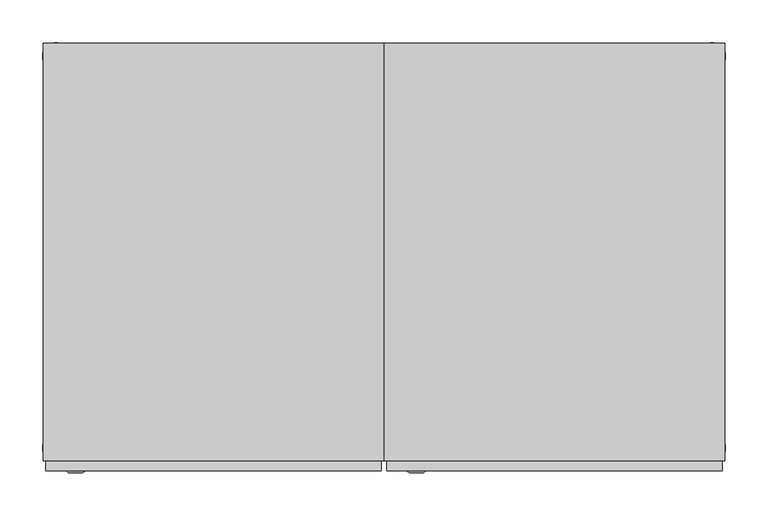
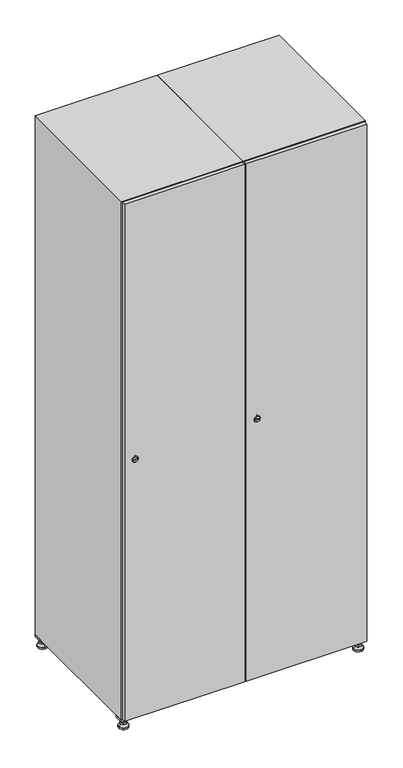
"""IFC4 building model written with IfcOpenShell, lengths in millimetres: furniture geometry."""

from ifc_helpers import new_model, si_unit, point, frame, frame_2d, origin, origin_with_axes, place, context, project, spatial, polyline, circle_curve, trimmed, segment, composite_curve, outline, extrude, faceted_brep, source, transform, mapped, element, save
from ifc_brep_helpers import plane_surface, revolved_surface, advanced_brep


def furniture_cdbf3739(model_context):
    return source(origin(), model_context, "Body", "SolidModel", [
        extrude(outline(polyline([(600.0, 245.0), (600.0, 215.0), (570.0, 215.0), (570.0, 245.0), (600.0, 245.0)]), holes=[polyline([(598.0, 243.0), (572.0, 243.0), (572.0, 217.0), (598.0, 217.0), (598.0, 243.0)])]), frame((0.0, 0.0, 28.5), z_axis=(0.0, 0.0, 1.0), x_axis=(1.0, 0.0, 0.0)), (0.0, 0.0, 1.0), 6.5),
        extrude(outline(polyline([(570.0, -245.0), (570.0, -215.0), (600.0, -215.0), (600.0, -245.0), (570.0, -245.0)]), holes=[polyline([(572.0, -243.0), (598.0, -243.0), (598.0, -217.0), (572.0, -217.0), (572.0, -243.0)])]), frame((0.0, 0.0, 28.5), z_axis=(0.0, 0.0, 1.0), x_axis=(1.0, 0.0, 0.0)), (0.0, 0.0, 1.0), 6.5),
        extrude(outline(polyline([(-170.0, 245.0), (-170.0, 215.0), (-200.0, 215.0), (-200.0, 245.0), (-170.0, 245.0)]), holes=[polyline([(-172.0, 243.0), (-198.0, 243.0), (-198.0, 217.0), (-172.0, 217.0), (-172.0, 243.0)])]), frame((0.0, 0.0, 28.5), z_axis=(0.0, 0.0, 1.0), x_axis=(1.0, 0.0, 0.0)), (0.0, 0.0, 1.0), 6.5),
        extrude(outline(polyline([(-170.0, -215.0), (-170.0, -245.0), (-200.0, -245.0), (-200.0, -215.0), (-170.0, -215.0)]), holes=[polyline([(-198.0, -243.0), (-172.0, -243.0), (-172.0, -217.0), (-198.0, -217.0), (-198.0, -243.0)])]), frame((0.0, 0.0, 28.5), z_axis=(0.0, 0.0, 1.0), x_axis=(1.0, 0.0, 0.0)), (0.0, 0.0, 1.0), 6.5),
        extrude(outline(composite_curve([segment(trimmed(circle_curve(frame_2d((-185.0, 230.0)), 5.0), [point((-180.0, 230.0))], [point((-190.0, 230.0))], False, "CARTESIAN"), True, "CONTINUOUS"), segment(trimmed(circle_curve(frame_2d((-185.0, 230.0)), 5.0), [point((-190.0, 230.0))], [point((-180.0, 230.0))], False, "CARTESIAN"), True, "CONTINUOUS")], self_intersect=False)), frame((0.0, 0.0, 19.6), z_axis=(0.0, 0.0, 1.0), x_axis=(1.0, 0.0, 0.0)), (0.0, 0.0, 1.0), 15.4),
        extrude(outline(composite_curve([segment(trimmed(circle_curve(frame_2d((-185.0, -230.0)), 5.0), [point((-180.0, -230.0))], [point((-190.0, -230.0))], False, "CARTESIAN"), True, "CONTINUOUS"), segment(trimmed(circle_curve(frame_2d((-185.0, -230.0)), 5.0), [point((-190.0, -230.0))], [point((-180.0, -230.0))], False, "CARTESIAN"), True, "CONTINUOUS")], self_intersect=False)), frame((0.0, 0.0, 19.6), z_axis=(0.0, 0.0, 1.0), x_axis=(1.0, 0.0, 0.0)), (0.0, 0.0, 1.0), 15.4),
        extrude(outline(composite_curve([segment(trimmed(circle_curve(frame_2d((585.0, 230.0)), 5.0), [point((590.0, 230.0))], [point((580.0, 230.0))], False, "CARTESIAN"), True, "CONTINUOUS"), segment(trimmed(circle_curve(frame_2d((585.0, 230.0)), 5.0), [point((580.0, 230.0))], [point((590.0, 230.0))], False, "CARTESIAN"), True, "CONTINUOUS")], self_intersect=False)), frame((0.0, 0.0, 19.6), z_axis=(0.0, 0.0, 1.0), x_axis=(1.0, 0.0, 0.0)), (0.0, 0.0, 1.0), 15.4),
        extrude(outline(polyline([(573.4529946, 230.0), (579.2264973, 240.0), (590.7735027, 240.0), (596.5470054, 230.0), (590.7735027, 220.0), (579.2264973, 220.0), (573.4529946, 230.0)])), frame((0.0, 0.0, 13.6), z_axis=(0.0, 0.0, 1.0), x_axis=(1.0, 0.0, 0.0)), (0.0, 0.0, 1.0), 6.0),
        extrude(outline(composite_curve([segment(trimmed(circle_curve(frame_2d((585.0, -230.0)), 5.0), [point((590.0, -230.0))], [point((580.0, -230.0))], False, "CARTESIAN"), True, "CONTINUOUS"), segment(trimmed(circle_curve(frame_2d((585.0, -230.0)), 5.0), [point((580.0, -230.0))], [point((590.0, -230.0))], False, "CARTESIAN"), True, "CONTINUOUS")], self_intersect=False)), frame((0.0, 0.0, 19.6), z_axis=(0.0, 0.0, 1.0), x_axis=(1.0, 0.0, 0.0)), (0.0, 0.0, 1.0), 15.4),
        extrude(outline(polyline([(573.4529946, -230.0), (579.2264973, -220.0), (590.7735027, -220.0), (596.5470054, -230.0), (590.7735027, -240.0), (579.2264973, -240.0), (573.4529946, -230.0)])), frame((0.0, 0.0, 13.6), z_axis=(0.0, 0.0, 1.0), x_axis=(1.0, 0.0, 0.0)), (0.0, 0.0, 1.0), 6.0),
        extrude(outline(composite_curve([segment(trimmed(circle_curve(frame_2d((585.0, 230.0)), 5.0), [point((590.0, 230.0))], [point((580.0, 230.0))], False, "CARTESIAN"), True, "CONTINUOUS"), segment(trimmed(circle_curve(frame_2d((585.0, 230.0)), 5.0), [point((580.0, 230.0))], [point((590.0, 230.0))], False, "CARTESIAN"), True, "CONTINUOUS")], self_intersect=False)), frame((0.0, 0.0, 12.1), z_axis=(0.0, 0.0, 1.0), x_axis=(1.0, 0.0, 0.0)), (0.0, 0.0, 1.0), 1.5),
        extrude(outline(composite_curve([segment(trimmed(circle_curve(frame_2d((585.0, -230.0)), 5.0), [point((590.0, -230.0))], [point((580.0, -230.0))], False, "CARTESIAN"), True, "CONTINUOUS"), segment(trimmed(circle_curve(frame_2d((585.0, -230.0)), 5.0), [point((580.0, -230.0))], [point((590.0, -230.0))], False, "CARTESIAN"), True, "CONTINUOUS")], self_intersect=False)), frame((0.0, 0.0, 12.1), z_axis=(0.0, 0.0, 1.0), x_axis=(1.0, 0.0, 0.0)), (0.0, 0.0, 1.0), 1.5),
        extrude(outline(polyline([(-196.5470054, 230.0), (-190.7735027, 240.0), (-179.2264973, 240.0), (-173.4529946, 230.0), (-179.2264973, 220.0), (-190.7735027, 220.0), (-196.5470054, 230.0)])), frame((0.0, 0.0, 13.6), z_axis=(0.0, 0.0, 1.0), x_axis=(1.0, 0.0, 0.0)), (0.0, 0.0, 1.0), 6.0),
        extrude(outline(polyline([(-196.5470054, -230.0), (-190.7735027, -220.0), (-179.2264973, -220.0), (-173.4529946, -230.0), (-179.2264973, -240.0), (-190.7735027, -240.0), (-196.5470054, -230.0)])), frame((0.0, 0.0, 13.6), z_axis=(0.0, 0.0, 1.0), x_axis=(1.0, 0.0, 0.0)), (0.0, 0.0, 1.0), 6.0),
        extrude(outline(composite_curve([segment(trimmed(circle_curve(frame_2d((-185.0, 230.0)), 5.0), [point((-185.0, 235.0))], [point((-185.0, 225.0))], False, "CARTESIAN"), True, "CONTINUOUS"), segment(trimmed(circle_curve(frame_2d((-185.0, 230.0)), 5.0), [point((-185.0, 225.0))], [point((-185.0, 235.0))], False, "CARTESIAN"), True, "CONTINUOUS")], self_intersect=False)), frame((0.0, 0.0, 12.1), z_axis=(0.0, 0.0, 1.0), x_axis=(1.0, 0.0, 0.0)), (0.0, 0.0, 1.0), 1.5),
        extrude(outline(composite_curve([segment(trimmed(circle_curve(frame_2d((-185.0, -230.0)), 5.0), [point((-180.0, -230.0))], [point((-190.0, -230.0))], False, "CARTESIAN"), True, "CONTINUOUS"), segment(trimmed(circle_curve(frame_2d((-185.0, -230.0)), 5.0), [point((-190.0, -230.0))], [point((-180.0, -230.0))], False, "CARTESIAN"), True, "CONTINUOUS")], self_intersect=False)), frame((0.0, 0.0, 12.1), z_axis=(0.0, 0.0, 1.0), x_axis=(1.0, 0.0, 0.0)), (0.0, 0.0, 1.0), 1.5),
        extrude(outline(composite_curve([segment(trimmed(circle_curve(frame_2d((585.0, 230.0)), 15.75), [point((600.75, 230.0))], [point((569.25, 230.0))], False, "CARTESIAN"), True, "CONTINUOUS"), segment(trimmed(circle_curve(frame_2d((585.0, 230.0)), 15.75), [point((569.25, 230.0))], [point((600.75, 230.0))], False, "CARTESIAN"), True, "CONTINUOUS")], self_intersect=False)), origin_with_axes(), (0.0, 0.0, 1.0), 5.1),
        extrude(outline(composite_curve([segment(trimmed(circle_curve(frame_2d((585.0, -230.0)), 15.75), [point((585.0, -214.25))], [point((585.0, -245.75))], False, "CARTESIAN"), True, "CONTINUOUS"), segment(trimmed(circle_curve(frame_2d((585.0, -230.0)), 15.75), [point((585.0, -245.75))], [point((585.0, -214.25))], False, "CARTESIAN"), True, "CONTINUOUS")], self_intersect=False)), origin_with_axes(), (0.0, 0.0, 1.0), 5.1),
        extrude(outline(composite_curve([segment(trimmed(circle_curve(frame_2d((-185.0, -230.0)), 15.75), [point((-169.25, -230.0))], [point((-200.75, -230.0))], False, "CARTESIAN"), True, "CONTINUOUS"), segment(trimmed(circle_curve(frame_2d((-185.0, -230.0)), 15.75), [point((-200.75, -230.0))], [point((-169.25, -230.0))], False, "CARTESIAN"), True, "CONTINUOUS")], self_intersect=False)), origin_with_axes(), (0.0, 0.0, 1.0), 5.1),
        extrude(outline(composite_curve([segment(trimmed(circle_curve(frame_2d((-185.0, 230.0)), 15.75), [point((-169.25, 230.0))], [point((-200.75, 230.0))], False, "CARTESIAN"), True, "CONTINUOUS"), segment(trimmed(circle_curve(frame_2d((-185.0, 230.0)), 15.75), [point((-200.75, 230.0))], [point((-169.25, 230.0))], False, "CARTESIAN"), True, "CONTINUOUS")], self_intersect=False)), origin_with_axes(), (0.0, 0.0, 1.0), 5.1),
        advanced_brep(
        [(-185.0, 239.5, 12.1), (-185.0, 220.5, 12.1), (-185.0, 214.25, 5.1), (-185.0, 245.75, 5.1)],
        [
            (0, 1, circle_curve(frame((-185.0, 230.0, 12.1), z_axis=(0.0, 0.0, -1.0), x_axis=(0.0, 1.0, 0.0)), 9.5)),
            (1, 2),
            (2, 3, circle_curve(frame((-185.0, 230.0, 5.1), z_axis=(0.0, 0.0, 1.0), x_axis=(0.0, 1.0, 0.0)), 15.75)),
            (3, 0),
            (1, 0, circle_curve(frame((-185.0, 230.0, 12.1), z_axis=(0.0, 0.0, -1.0), x_axis=(0.0, -1.0, 0.0)), 9.5)),
            (3, 2, circle_curve(frame((-185.0, 230.0, 5.1), z_axis=(0.0, 0.0, 1.0), x_axis=(0.0, -1.0, 0.0)), 15.75)),
        ],
        [
            revolved_surface(polyline([(-185.0, 220.5, 12.099999999999998), (-185.0, 214.25, 5.099999999999998)]), (-185.0, 230.0, 22.74), (0.0, 0.0, -1.0)),
            revolved_surface(polyline([(-185.0, 239.5, 12.099999999999998), (-185.0, 245.75, 5.099999999999998)]), (-185.0, 230.0, 22.74), (0.0, 0.0, -1.0)),
            plane_surface(frame((-185.0, 230.0, 5.1), z_axis=(0.0, 0.0, -1.0), x_axis=(1.0, 0.0, 0.0))),
            plane_surface(frame((-185.0, 230.0, 12.1), z_axis=(0.0, 0.0, 1.0), x_axis=(1.0, 0.0, 0.0))),
        ],
        [
            (0, [[1, 2, 3, 4]]),
            (1, [[5, -4, 6, -2]]),
            (2, [[-3, -6]]),
            (3, [[-5, -1]]),
        ],
    ),
        advanced_brep(
        [(585.0, 239.5, 12.1), (585.0, 220.5, 12.1), (585.0, 214.25, 5.1), (585.0, 245.75, 5.1)],
        [
            (0, 1, circle_curve(frame((585.0, 230.0, 12.1), z_axis=(0.0, 0.0, -1.0), x_axis=(0.0, 1.0, 0.0)), 9.5)),
            (1, 2),
            (2, 3, circle_curve(frame((585.0, 230.0, 5.1), z_axis=(0.0, 0.0, 1.0), x_axis=(0.0, 1.0, 0.0)), 15.75)),
            (3, 0),
            (1, 0, circle_curve(frame((585.0, 230.0, 12.1), z_axis=(0.0, 0.0, -1.0), x_axis=(0.0, -1.0, 0.0)), 9.5)),
            (3, 2, circle_curve(frame((585.0, 230.0, 5.1), z_axis=(0.0, 0.0, 1.0), x_axis=(0.0, -1.0, 0.0)), 15.75)),
        ],
        [
            revolved_surface(polyline([(585.0, 220.5, 12.099999999999998), (585.0, 214.25, 5.099999999999998)]), (585.0, 230.0, 22.74), (0.0, 0.0, -1.0)),
            revolved_surface(polyline([(585.0, 239.5, 12.099999999999998), (585.0, 245.75, 5.099999999999998)]), (585.0, 230.0, 22.74), (0.0, 0.0, -1.0)),
            plane_surface(frame((585.0, 230.0, 5.1), z_axis=(0.0, 0.0, -1.0), x_axis=(1.0, 0.0, 0.0))),
            plane_surface(frame((585.0, 230.0, 12.1), z_axis=(0.0, 0.0, 1.0), x_axis=(1.0, 0.0, 0.0))),
        ],
        [
            (0, [[1, 2, 3, 4]]),
            (1, [[5, -4, 6, -2]]),
            (2, [[-3, -6]]),
            (3, [[-5, -1]]),
        ],
    ),
        advanced_brep(
        [(600.75, -230.0, 5.1), (569.25, -230.0, 5.1), (575.5, -230.0, 12.1), (594.5, -230.0, 12.1)],
        [
            (0, 1, circle_curve(frame((585.0, -230.0, 5.1), z_axis=(0.0, 0.0, 1.0), x_axis=(1.0, 0.0, 0.0)), 15.75)),
            (1, 2),
            (2, 3, circle_curve(frame((585.0, -230.0, 12.1), z_axis=(0.0, 0.0, -1.0), x_axis=(1.0, 0.0, 0.0)), 9.5)),
            (3, 0),
            (1, 0, circle_curve(frame((585.0, -230.0, 5.1), z_axis=(0.0, 0.0, 1.0), x_axis=(-1.0, 0.0, 0.0)), 15.75)),
            (3, 2, circle_curve(frame((585.0, -230.0, 12.1), z_axis=(0.0, 0.0, -1.0), x_axis=(-1.0, 0.0, 0.0)), 9.5)),
        ],
        [
            revolved_surface(polyline([(594.5, -230.0, 12.099999999999998), (600.75, -230.0, 5.099999999999998)]), (585.0, -230.0, 22.74), (0.0, 0.0, -1.0)),
            revolved_surface(polyline([(575.5, -230.0, 12.099999999999998), (569.25, -230.0, 5.099999999999998)]), (585.0, -230.0, 22.74), (0.0, 0.0, -1.0)),
            plane_surface(frame((585.0, -230.0, 12.1), z_axis=(0.0, 0.0, 1.0), x_axis=(0.0, 1.0, 0.0))),
            plane_surface(frame((585.0, -230.0, 5.1), z_axis=(0.0, 0.0, -1.0), x_axis=(0.0, 1.0, 0.0))),
        ],
        [
            (0, [[1, 2, 3, 4]]),
            (1, [[5, -4, 6, -2]]),
            (2, [[-3, -6]]),
            (3, [[-5, -1]]),
        ],
    ),
        advanced_brep(
        [(-169.25, -230.0, 5.1), (-200.75, -230.0, 5.1), (-194.5, -230.0, 12.1), (-175.5, -230.0, 12.1)],
        [
            (0, 1, circle_curve(frame((-185.0, -230.0, 5.1), z_axis=(0.0, 0.0, 1.0), x_axis=(1.0, 0.0, 0.0)), 15.75)),
            (1, 2),
            (2, 3, circle_curve(frame((-185.0, -230.0, 12.1), z_axis=(0.0, 0.0, -1.0), x_axis=(1.0, 0.0, 0.0)), 9.5)),
            (3, 0),
            (1, 0, circle_curve(frame((-185.0, -230.0, 5.1), z_axis=(0.0, 0.0, 1.0), x_axis=(-1.0, 0.0, 0.0)), 15.75)),
            (3, 2, circle_curve(frame((-185.0, -230.0, 12.1), z_axis=(0.0, 0.0, -1.0), x_axis=(-1.0, 0.0, 0.0)), 9.5)),
        ],
        [
            revolved_surface(polyline([(-175.5, -230.0, 12.099999999999998), (-169.25, -230.0, 5.099999999999998)]), (-185.0, -230.0, 22.74), (0.0, 0.0, -1.0)),
            revolved_surface(polyline([(-194.5, -230.0, 12.099999999999998), (-200.75, -230.0, 5.099999999999998)]), (-185.0, -230.0, 22.74), (0.0, 0.0, -1.0)),
            plane_surface(frame((-185.0, -230.0, 12.1), z_axis=(0.0, 0.0, 1.0), x_axis=(0.0, 1.0, 0.0))),
            plane_surface(frame((-185.0, -230.0, 5.1), z_axis=(0.0, 0.0, -1.0), x_axis=(0.0, 1.0, 0.0))),
        ],
        [
            (0, [[1, 2, 3, 4]]),
            (1, [[5, -4, 6, -2]]),
            (2, [[-3, -6]]),
            (3, [[-5, -1]]),
        ],
    ),
        extrude(outline(composite_curve([segment(trimmed(circle_curve(frame_2d((935.0, 211.2010534)), 7.0), [point((942.0, 211.2010534))], [point((928.0, 211.2010534))], False, "CARTESIAN"), True, "CONTINUOUS"), segment(polyline([(928.0, 211.2010534), (928.0, 239.2010534)]), True, "CONTINUOUS"), segment(trimmed(circle_curve(frame_2d((935.0, 239.2010534)), 7.0), [point((928.0, 239.2010534))], [point((942.0, 239.2010534))], False, "CARTESIAN"), True, "CONTINUOUS"), segment(polyline([(942.0, 239.2010534), (942.0, 211.2010534)]), True, "CONTINUOUS")], self_intersect=False)), frame((0.0, -245.0, 0.0), z_axis=(0.0, 1.0, 0.0), x_axis=(0.0, 0.0, 1.0)), (0.0, 0.0, 1.0), 2.0),
        advanced_brep(
        [(246.5, -259.2, 935.0), (229.5, -259.2, 935.0), (233.0, -259.2, 933.75), (233.0, -259.2, 936.25), (243.0, -259.2, 936.25), (243.0, -259.2, 933.75), (248.5, -257.0, 935.0), (227.5, -257.0, 935.0), (233.0, -257.0, 936.25), (233.0, -257.0, 933.75), (243.0, -257.0, 933.75), (243.0, -257.0, 936.25)],
        [
            (0, 1, circle_curve(frame((238.0, -259.2, 935.0), z_axis=(0.0, -1.0, 0.0), x_axis=(1.0, 0.0, 0.0)), 8.5)),
            (1, 0, circle_curve(frame((238.0, -259.2, 935.0), z_axis=(0.0, -1.0, 0.0), x_axis=(-1.0, 0.0, 0.0)), 8.5)),
            (2, 3),
            (3, 4),
            (4, 5),
            (5, 2),
            (6, 7, circle_curve(frame((238.0, -257.0, 935.0), z_axis=(0.0, 1.0, 0.0), x_axis=(-1.0, 0.0, 0.0)), 10.5)),
            (7, 6, circle_curve(frame((238.0, -257.0, 935.0), z_axis=(0.0, 1.0, 0.0), x_axis=(1.0, 0.0, 0.0)), 10.5)),
            (8, 9),
            (9, 10),
            (10, 11),
            (11, 8),
            (0, 6),
            (7, 1),
            (8, 3),
            (2, 9),
            (11, 4),
            (10, 5),
        ],
        [
            plane_surface(frame((238.0, -259.2, 935.0), z_axis=(0.0, -1.0, 0.0), x_axis=(0.0, 0.0, 1.0))),
            plane_surface(frame((238.0, -257.0, 935.0), z_axis=(0.0, 1.0, 0.0), x_axis=(0.0, 0.0, 1.0))),
            revolved_surface(polyline([(246.5, -259.2, 935.0), (248.5, -257.0, 935.0)]), (238.0, -268.55, 935.0), (0.0, 1.0, 0.0)),
            revolved_surface(polyline([(229.5, -259.2, 935.0), (227.5, -257.0, 935.0)]), (238.0, -268.55, 935.0), (0.0, 1.0, 0.0)),
            plane_surface(frame((233.0, -257.0, 933.75), z_axis=(1.0, 0.0, 0.0), x_axis=(0.0, -1.0, 0.0))),
            plane_surface(frame((233.0, -257.0, 936.25), z_axis=(0.0, 0.0, -1.0), x_axis=(0.0, -1.0, 0.0))),
            plane_surface(frame((243.0, -257.0, 936.25), z_axis=(-1.0, 0.0, 0.0), x_axis=(0.0, -1.0, 0.0))),
            plane_surface(frame((243.0, -257.0, 933.75), z_axis=(0.0, 0.0, 1.0), x_axis=(0.0, -1.0, 0.0))),
        ],
        [
            (0, [[1, 2], [3, 4, 5, 6]]),
            (1, [[7, 8], [9, 10, 11, 12]]),
            (2, [[-1, 13, -8, 14]]),
            (3, [[-2, -14, -7, -13]]),
            (4, [[15, -3, 16, -9]]),
            (5, [[-15, -12, 17, -4]]),
            (6, [[-17, -11, 18, -5]]),
            (7, [[-16, -6, -18, -10]]),
        ],
    ),
        extrude(outline(polyline([(597.0, -245.0), (597.0, -257.0), (203.0, -257.0), (203.0, -245.0), (597.0, -245.0)])), frame((0.0, 0.0, 38.0), z_axis=(0.0, 0.0, 1.0), x_axis=(1.0, 0.0, 0.0)), (0.0, 0.0, 1.0), 1794.0),
        faceted_brep([(600.0, -245.0, 35.0), (600.0, -245.0, 1835.0), (200.0, -245.0, 1835.0), (200.0, -245.0, 35.0), (579.6, -245.0, 1804.8), (579.6, -245.0, 65.2), (220.4, -245.0, 65.2), (220.4, -245.0, 1804.8), (600.0, 245.0, 35.0), (200.0, 245.0, 35.0), (600.0, 245.0, 1835.0), (200.0, 245.0, 1835.0), (579.6, 242.0, 1804.8), (579.6, 242.0, 65.2), (200.0, 245.0, 1804.8), (220.4, 242.0, 1804.8), (220.4, 242.0, 65.2)], [[[0, 1, 2, 3], [4, 5, 6, 7]], [[8, 0, 3, 9]], [[1, 0, 8, 10]], [[1, 10, 11, 2]], [[4, 12, 13, 5]], [[9, 3, 2, 11, 14]], [[10, 8, 9, 14, 11]], [[12, 15, 16, 13]], [[15, 7, 6, 16]], [[4, 7, 15, 12]], [[6, 5, 13, 16]]]),
        extrude(outline(composite_curve([segment(trimmed(circle_curve(frame_2d((935.0, -188.7989466)), 7.0), [point((942.0, -188.7989466))], [point((928.0, -188.7989466))], False, "CARTESIAN"), True, "CONTINUOUS"), segment(polyline([(928.0, -188.7989466), (928.0, -160.7989466)]), True, "CONTINUOUS"), segment(trimmed(circle_curve(frame_2d((935.0, -160.7989466)), 7.0), [point((928.0, -160.7989466))], [point((942.0, -160.7989466))], False, "CARTESIAN"), True, "CONTINUOUS"), segment(polyline([(942.0, -160.7989466), (942.0, -188.7989466)]), True, "CONTINUOUS")], self_intersect=False)), frame((0.0, -245.0, 0.0), z_axis=(0.0, 1.0, 0.0), x_axis=(0.0, 0.0, 1.0)), (0.0, 0.0, 1.0), 2.0),
        advanced_brep(
        [(-153.5, -259.2, 935.0), (-170.5, -259.2, 935.0), (-167.0, -259.2, 933.75), (-167.0, -259.2, 936.25), (-157.0, -259.2, 936.25), (-157.0, -259.2, 933.75), (-151.5, -257.0, 935.0), (-172.5, -257.0, 935.0), (-167.0, -257.0, 936.25), (-167.0, -257.0, 933.75), (-157.0, -257.0, 933.75), (-157.0, -257.0, 936.25)],
        [
            (0, 1, circle_curve(frame((-162.0, -259.2, 935.0), z_axis=(0.0, -1.0, 0.0), x_axis=(1.0, 0.0, 0.0)), 8.5)),
            (1, 0, circle_curve(frame((-162.0, -259.2, 935.0), z_axis=(0.0, -1.0, 0.0), x_axis=(-1.0, 0.0, 0.0)), 8.5)),
            (2, 3),
            (3, 4),
            (4, 5),
            (5, 2),
            (6, 7, circle_curve(frame((-162.0, -257.0, 935.0), z_axis=(0.0, 1.0, 0.0), x_axis=(-1.0, 0.0, 0.0)), 10.5)),
            (7, 6, circle_curve(frame((-162.0, -257.0, 935.0), z_axis=(0.0, 1.0, 0.0), x_axis=(1.0, 0.0, 0.0)), 10.5)),
            (8, 9),
            (9, 10),
            (10, 11),
            (11, 8),
            (0, 6),
            (7, 1),
            (8, 3),
            (2, 9),
            (11, 4),
            (10, 5),
        ],
        [
            plane_surface(frame((-162.0, -259.2, 935.0), z_axis=(0.0, -1.0, 0.0), x_axis=(0.0, 0.0, 1.0))),
            plane_surface(frame((-162.0, -257.0, 935.0), z_axis=(0.0, 1.0, 0.0), x_axis=(0.0, 0.0, 1.0))),
            revolved_surface(polyline([(-153.5, -259.2, 935.0), (-151.5, -257.0, 935.0)]), (-162.0, -268.55, 935.0), (0.0, 1.0, 0.0)),
            revolved_surface(polyline([(-170.5, -259.2, 935.0), (-172.5, -257.0, 935.0)]), (-162.0, -268.55, 935.0), (0.0, 1.0, 0.0)),
            plane_surface(frame((-167.0, -257.0, 933.75), z_axis=(1.0, 0.0, 0.0), x_axis=(0.0, -1.0, 0.0))),
            plane_surface(frame((-167.0, -257.0, 936.25), z_axis=(0.0, 0.0, -1.0), x_axis=(0.0, -1.0, 0.0))),
            plane_surface(frame((-157.0, -257.0, 936.25), z_axis=(-1.0, 0.0, 0.0), x_axis=(0.0, -1.0, 0.0))),
            plane_surface(frame((-157.0, -257.0, 933.75), z_axis=(0.0, 0.0, 1.0), x_axis=(0.0, -1.0, 0.0))),
        ],
        [
            (0, [[1, 2], [3, 4, 5, 6]]),
            (1, [[7, 8], [9, 10, 11, 12]]),
            (2, [[-1, 13, -8, 14]]),
            (3, [[-2, -14, -7, -13]]),
            (4, [[15, -3, 16, -9]]),
            (5, [[-15, -12, 17, -4]]),
            (6, [[-17, -11, 18, -5]]),
            (7, [[-16, -6, -18, -10]]),
        ],
    ),
        extrude(outline(polyline([(197.0, -245.0), (197.0, -257.0), (-197.0, -257.0), (-197.0, -245.0), (197.0, -245.0)])), frame((0.0, 0.0, 38.0), z_axis=(0.0, 0.0, 1.0), x_axis=(1.0, 0.0, 0.0)), (0.0, 0.0, 1.0), 1794.0),
        faceted_brep([(200.0, -245.0, 35.0), (200.0, -245.0, 1835.0), (-200.0, -245.0, 1835.0), (-200.0, -245.0, 35.0), (179.6, -245.0, 1804.8), (179.6, -245.0, 65.2), (-179.6, -245.0, 65.2), (-179.6, -245.0, 1804.8), (200.0, 245.0, 35.0), (-200.0, 245.0, 35.0), (200.0, 245.0, 1835.0), (-200.0, 245.0, 1835.0), (179.6, 242.0, 1804.8), (179.6, 242.0, 65.2), (-200.0, 245.0, 1804.8), (-179.6, 242.0, 1804.8), (-179.6, 242.0, 65.2)], [[[0, 1, 2, 3], [4, 5, 6, 7]], [[8, 0, 3, 9]], [[1, 0, 8, 10]], [[1, 10, 11, 2]], [[4, 12, 13, 5]], [[9, 3, 2, 11, 14]], [[10, 8, 9, 14, 11]], [[12, 15, 16, 13]], [[15, 7, 6, 16]], [[4, 7, 15, 12]], [[6, 5, 13, 16]]]),
    ])


if __name__ == "__main__":
    model = new_model("IFC4")
    model_context = context("Model", 3, world=origin())
    ifc_project = project(units=[si_unit("LENGTHUNIT", "METRE", prefix="MILLI")], contexts=[model_context])
    site = spatial("IfcSite", under=ifc_project)
    building = spatial("IfcBuilding", under=site)
    placement = place(None, origin())
    furniture_shape = furniture_cdbf3739(model_context)
    element("IfcFurniture", 1, at=placement, inside=building, context=model_context, shape_type="MappedRepresentation", body=[
        mapped(furniture_shape, transform((0.0, 0.0, 0.0), x_axis=(1.0, 0.0, 0.0), y_axis=(0.0, 1.0, 0.0), z_axis=(0.0, 0.0, 1.0))),
    ])
    save(model, "model.ifc")
